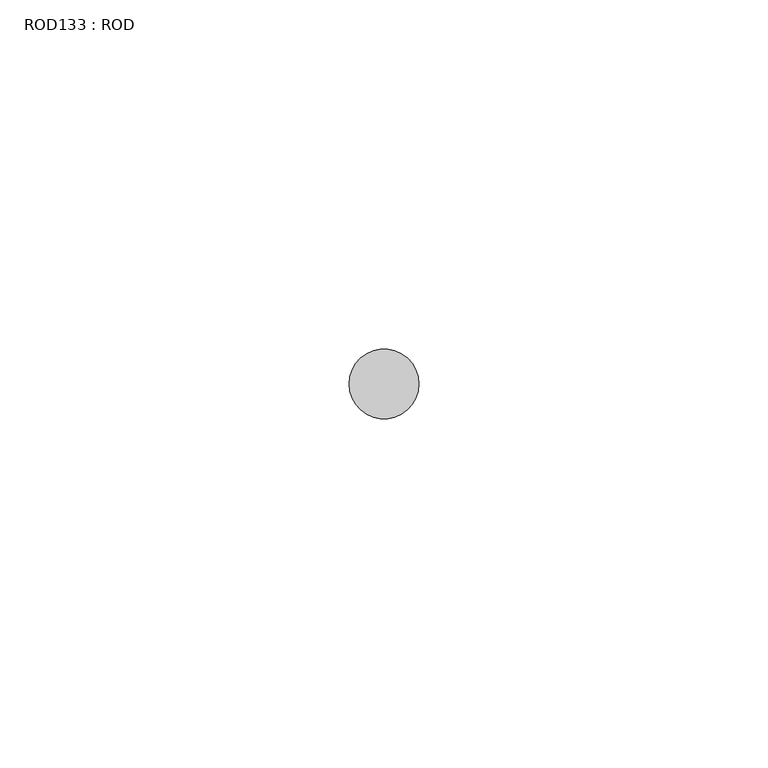
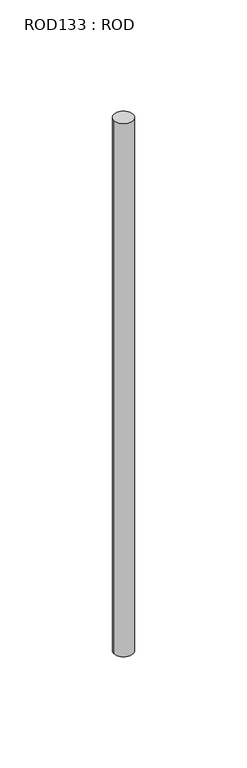
"""IFC4 building model written with IfcOpenShell, lengths in millimetres: proxy geometry, ROD133 : ROD."""

import ifcopenshell
import ifcopenshell.guid

model = None  # the IFC model being written
_history = None  # IfcOwnerHistory: only IFC2X3 demands one
_inside = {}  # id of a spatial element -> (the spatial element, [elements in it])
_under = {}  # id of a project, library or spatial element -> (it, [spatial elements below it])
_declared = {}  # id of a project -> (the project, [libraries it declares])
_typed = {}  # id of a type object -> (the type object, [elements of that type])
_made_of = {}  # id of a material, layer set ... -> (it, [elements and type objects made of it])


def new_model(schema):
    """Start an empty IFC model of exactly this schema.

    Asked for "IFC4X3", IfcOpenShell would pick the latest addendum, in which some entities
    have other attributes; the version numbers below select the first issue.
    IFC2X3 requires an IfcOwnerHistory on every rooted entity: one is made here for all.
    """
    global model, _history
    if schema == "IFC4X3":
        model = ifcopenshell.file(schema_version=(4, 3, 0, 0))
    else:
        model = ifcopenshell.file(schema=schema)
    _inside.clear()
    _under.clear()
    _declared.clear()
    _typed.clear()
    _made_of.clear()
    _history = None
    if model.schema == "IFC2X3":
        org = make("IfcOrganization", Name="unknown")
        user = make(
            "IfcPersonAndOrganization",
            ThePerson=make("IfcPerson", FamilyName="unknown"),
            TheOrganization=org,
        )
        app = make(
            "IfcApplication",
            ApplicationDeveloper=org,
            Version="unknown",
            ApplicationFullName="unknown",
            ApplicationIdentifier="unknown",
        )
        _history = make(
            "IfcOwnerHistory",
            OwningUser=user,
            OwningApplication=app,
            ChangeAction="ADDED",
            CreationDate=0,
        )
    return model


def make(cls, **values):
    """One entity of the class cls with the attributes given. An attribute that is None is left unset."""
    return model.create_entity(
        cls, **{name: value for name, value in values.items() if value is not None}
    )


def rooted(cls, **values):
    """An entity with a GlobalId (a new one), such as an element, a storey or a relation."""
    return make(cls, GlobalId=ifcopenshell.guid.new(), OwnerHistory=_history, **values)


def si_unit(unit_type, name, prefix=None):
    """IfcSIUnit, for example si_unit("LENGTHUNIT", "METRE", prefix="MILLI")."""
    return make("IfcSIUnit", UnitType=unit_type, Prefix=prefix, Name=name)


def assignment(units):
    """IfcUnitAssignment: the units of a project."""
    return None if units is None else make("IfcUnitAssignment", Units=units)


def point(xyz):
    """IfcCartesianPoint."""
    return None if xyz is None else make("IfcCartesianPoint", Coordinates=xyz)


def direction(xyz):
    """IfcDirection."""
    return None if xyz is None else make("IfcDirection", DirectionRatios=xyz)


def frame(location, z_axis=None, x_axis=None):
    """IfcAxis2Placement3D, a coordinate frame: its origin and axes. An axis left out is left unset."""
    return make(
        "IfcAxis2Placement3D",
        Location=point(location),
        Axis=direction(z_axis),
        RefDirection=direction(x_axis),
    )


def frame_2d(location, x_axis=None):
    """IfcAxis2Placement2D, a coordinate frame in the plane: its origin and x axis."""
    return make(
        "IfcAxis2Placement2D", Location=point(location), RefDirection=direction(x_axis)
    )


def origin():
    """The frame at (0, 0, 0) with its axes left unset."""
    return frame((0.0, 0.0, 0.0))


def place(relative_to, where):
    """IfcLocalPlacement: puts the frame where relative to a parent placement (None: the world)."""
    return make(
        "IfcLocalPlacement", PlacementRelTo=relative_to, RelativePlacement=where
    )


def context(
    kind, dimensions, precision=None, world=None, true_north=None, identifier=None
):
    """IfcGeometricRepresentationContext, for example the 3D "Model" context."""
    return make(
        "IfcGeometricRepresentationContext",
        ContextIdentifier=identifier,
        ContextType=kind,
        CoordinateSpaceDimension=dimensions,
        Precision=precision,
        WorldCoordinateSystem=world,
        TrueNorth=true_north,
    )


def project(units=None, contexts=None):
    """IfcProject with its units and contexts."""
    return rooted(
        "IfcProject",
        Name="project",
        RepresentationContexts=contexts,
        UnitsInContext=assignment(units),
    )


def spatial(cls, under=None, at=None, **own):
    """A site, building, storey or space (cls), placed at a placement, below another one or the project."""
    s = rooted(cls, ObjectPlacement=at, **own)
    if under is not None:
        _under.setdefault(under.id(), (under, []))[1].append(s)
    return s


def circle_curve(where, radius):
    """IfcCircle in the frame where."""
    return make("IfcCircle", Position=where, Radius=radius)


def trimmed(basis, trim1, trim2, sense, master):
    """IfcTrimmedCurve: the piece of a basis curve between two trims."""
    return make(
        "IfcTrimmedCurve",
        BasisCurve=basis,
        Trim1=trim1,
        Trim2=trim2,
        SenseAgreement=sense,
        MasterRepresentation=master,
    )


def segment(curve, same_sense, transition):
    """IfcCompositeCurveSegment."""
    return make(
        "IfcCompositeCurveSegment",
        Transition=transition,
        SameSense=same_sense,
        ParentCurve=curve,
    )


def composite_curve(segments, self_intersect=None):
    """IfcCompositeCurve: segments joined end to end."""
    return make("IfcCompositeCurve", Segments=segments, SelfIntersect=self_intersect)


def outline(outer, holes=None, kind="AREA"):
    """IfcArbitraryClosedProfileDef: a profile drawn as a closed curve; with holes, ...WithVoids."""
    if holes is None:
        return make("IfcArbitraryClosedProfileDef", ProfileType=kind, OuterCurve=outer)
    return make(
        "IfcArbitraryProfileDefWithVoids",
        ProfileType=kind,
        OuterCurve=outer,
        InnerCurves=holes,
    )


def extrude(swept, where, along, depth):
    """IfcExtrudedAreaSolid: the profile swept, set in the frame where, extruded along a direction by depth."""
    return make(
        "IfcExtrudedAreaSolid",
        SweptArea=swept,
        Position=where,
        ExtrudedDirection=direction(along),
        Depth=depth,
    )


def shape(context_of_items, identifier, shape_type, items):
    """IfcShapeRepresentation: the items that make up one representation, for example the "Body"."""
    return make(
        "IfcShapeRepresentation",
        ContextOfItems=context_of_items,
        RepresentationIdentifier=identifier,
        RepresentationType=shape_type,
        Items=items,
    )


def source(mapping_origin, context_of_items, identifier, shape_type, items):
    """IfcRepresentationMap: a shape defined once, which mapped items show again and again."""
    return make(
        "IfcRepresentationMap",
        MappingOrigin=mapping_origin,
        MappedRepresentation=shape(context_of_items, identifier, shape_type, items),
    )


def transform(
    local_origin,
    x_axis=None,
    y_axis=None,
    z_axis=None,
    scale=None,
    scale2=None,
    scale3=None,
    uniform=True,
):
    """IfcCartesianTransformationOperator3D, or its non-uniform kind. x_axis, y_axis, z_axis: its Axis1, 2, 3."""
    if uniform:
        return make(
            "IfcCartesianTransformationOperator3D",
            Axis1=direction(x_axis),
            Axis2=direction(y_axis),
            LocalOrigin=point(local_origin),
            Scale=scale,
            Axis3=direction(z_axis),
        )
    return make(
        "IfcCartesianTransformationOperator3DnonUniform",
        Axis1=direction(x_axis),
        Axis2=direction(y_axis),
        LocalOrigin=point(local_origin),
        Scale=scale,
        Axis3=direction(z_axis),
        Scale2=scale2,
        Scale3=scale3,
    )


def mapped(mapping_source, mapping_target):
    """IfcMappedItem: shows the shape of a source again, moved by a transform."""
    return make(
        "IfcMappedItem", MappingSource=mapping_source, MappingTarget=mapping_target
    )


def made_of(thing, what):
    """Note that an element or type object is made of a material, layer set ...; save() writes the relation."""
    if what is not None:
        _made_of.setdefault(what.id(), (what, []))[1].append(thing)
    return thing


def element(
    cls,
    number,
    at=None,
    inside=None,
    cuts=None,
    type_object=None,
    material=None,
    context=None,
    identifier="Body",
    shape_type=None,
    held_by="IfcProductDefinitionShape",
    body=None,
    shapes=None,
    **own,
):
    """One element of the class cls, such as IfcWall. Its Tag is "e" and its number.

    at: its placement. inside: the storey or other place that contains it. cuts: it is an
    opening in that element (IfcRelVoidsElement). A single representation is given by context,
    identifier, shape_type and body (its items); several are given by shapes. held_by: the class
    of the entity that holds the representations. save() writes the other relations.
    """
    e = rooted(cls, Tag="e%d" % number, ObjectPlacement=at, **own)
    if body is not None:
        shapes = [shape(context, identifier, shape_type, body)]
    if shapes is not None:
        e.Representation = make(held_by, Representations=shapes)
    if inside is not None:
        _inside.setdefault(inside.id(), (inside, []))[1].append(e)
    if cuts is not None:
        rooted(
            "IfcRelVoidsElement", RelatingBuildingElement=cuts, RelatedOpeningElement=e
        )
    if type_object is not None:
        _typed.setdefault(type_object.id(), (type_object, []))[1].append(e)
    return made_of(e, material)


def aggregate(whole, parts):
    """IfcRelAggregates: a whole, such as a stair, and the parts it consists of."""
    return rooted("IfcRelAggregates", RelatingObject=whole, RelatedObjects=parts)


def save(model, path):
    """Write the relations noted so far, then the file.

    IfcRelAggregates (storeys below a building ...), IfcRelContainedInSpatialStructure (elements
    in a storey), IfcRelDefinesByType, IfcRelAssociatesMaterial and IfcRelDeclares: one each for
    every whole, place, type object, material and project.
    """
    for whole, parts in _under.values():
        aggregate(whole, parts)
    for where, things in _inside.values():
        rooted(
            "IfcRelContainedInSpatialStructure",
            RelatedElements=things,
            RelatingStructure=where,
        )
    for kind, things in _typed.values():
        rooted("IfcRelDefinesByType", RelatedObjects=things, RelatingType=kind)
    for what, things in _made_of.values():
        rooted("IfcRelAssociatesMaterial", RelatedObjects=things, RelatingMaterial=what)
    for by, libraries in _declared.values():
        rooted("IfcRelDeclares", RelatingContext=by, RelatedDefinitions=libraries)
    model.write(path)


def rod133_rod_f51d9f23(model_context):
    return source(origin(), model_context, "Body", "SweptSolid", [
        extrude(outline(composite_curve([segment(trimmed(circle_curve(frame_2d((4532.7784384, -12414.6300853)), 5.0), [point((4527.7784384, -12414.6300853))], [point((4537.7784384, -12414.6300853))], False, "CARTESIAN"), True, "CONTINUOUS"), segment(trimmed(circle_curve(frame_2d((4532.7784384, -12414.6300853)), 5.0), [point((4537.7784384, -12414.6300853))], [point((4527.7784384, -12414.6300853))], False, "CARTESIAN"), True, "CONTINUOUS")], self_intersect=False)), frame((0.0, 0.0, -208.6608845), z_axis=(0.0, 0.0, 1.0), x_axis=(1.0, 0.0, 0.0)), (0.0, 0.0, 1.0), 298.9028972),
    ])


if __name__ == "__main__":
    model = new_model("IFC4")
    model_context = context("Model", 3, world=origin())
    ifc_project = project(units=[si_unit("LENGTHUNIT", "METRE", prefix="MILLI")], contexts=[model_context])
    site = spatial("IfcSite", under=ifc_project)
    building = spatial("IfcBuilding", under=site)
    placement = place(None, origin())
    rod133_rod_shape = rod133_rod_f51d9f23(model_context)
    element("IfcBuildingElementProxy", 1, Name="ROD133 : ROD", ObjectType="ROD133 : ROD", at=placement, inside=building, context=model_context, shape_type="MappedRepresentation", body=[
        mapped(rod133_rod_shape, transform((0.0, 0.0, 0.0), x_axis=(1.0, 0.0, 0.0), y_axis=(0.0, 1.0, 0.0), z_axis=(0.0, 0.0, 1.0))),
    ])
    save(model, "model.ifc")
